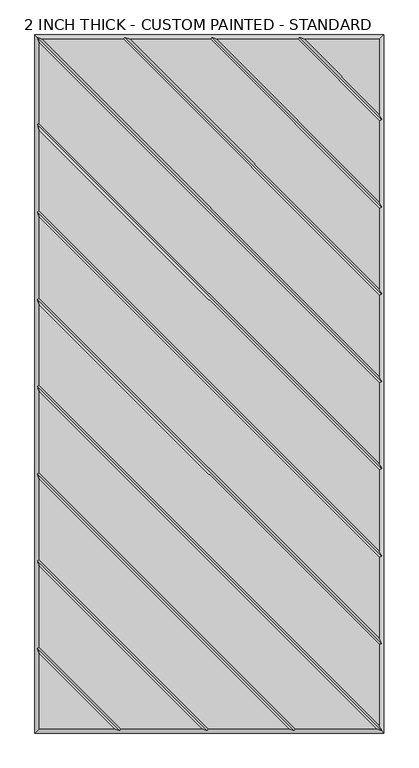
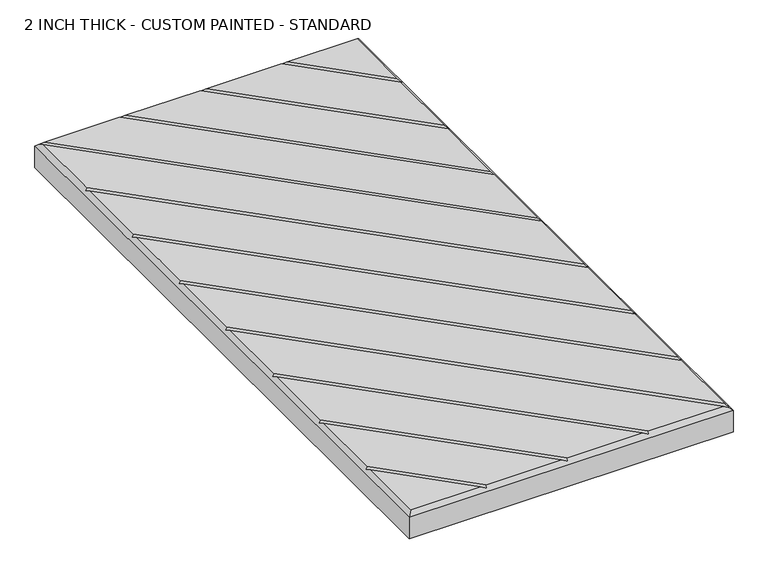
"""IFC4 building model written with IfcOpenShell, lengths in millimetres: proxy geometry, 2 INCH THICK - CUSTOM PAINTED - STANDARD."""

from ifc_helpers import new_model, si_unit, origin, place, context, project, spatial, faceted_brep, source, transform, mapped, element, save


def proxy_2_inch_thick_custom_painted_standard_a515b230(model_context):
    return source(origin(), model_context, "Body", "Brep", [
        faceted_brep([(296.799, 601.599, 50.8), (166.0590948, 601.599, 50.8), (296.799, 470.8590948, 50.8), (-296.799, -601.599, 50.8), (-166.0590079, -601.599, 50.8), (-296.799, -470.8585721, 50.8), (296.799, 459.543972, 50.8), (154.743972, 601.599, 50.8), (13.6585868, 601.599, 50.8), (296.799, 318.4585868, 50.8), (296.799, 307.143464, 50.8), (2.343464, 601.599, 50.8), (-138.7419092, 601.599, 50.8), (296.799, 166.0585747, 50.8), (296.799, 154.7434583, 50.8), (-150.0570382, 601.599, 50.8), (-291.1414386, 601.599, 50.8), (296.799, 13.6585614, 50.8), (296.799, 2.3434386, 50.8), (-296.799, 595.9414386, 50.8), (-296.799, 454.8565868, 50.8), (296.799, -138.7414132, 50.8), (296.799, -150.056536, 50.8), (-296.799, 443.541464, 50.8), (-296.799, 302.4565868, 50.8), (296.799, -291.1414132, 50.8), (296.799, -302.456536, 50.8), (-296.799, 291.141464, 50.8), (-296.799, 150.0565868, 50.8), (296.799, -443.5414132, 50.8), (296.799, -454.856536, 50.8), (-296.799, 138.741464, 50.8), (-296.799, -2.3434386, 50.8), (296.799, -595.9414386, 50.8), (291.1414386, -601.599, 50.8), (-296.799, -13.6585614, 50.8), (-296.799, -154.7434132, 50.8), (150.0565868, -601.599, 50.8), (-296.799, -459.5434305, 50.8), (-154.743904, -601.599, 50.8), (-13.6585605, -601.599, 50.8), (-296.799, -318.4585369, 50.8), (-296.799, -307.1434137, 50.8), (-2.3434382, -601.599, 50.8), (138.741464, -601.599, 50.8), (-296.799, -166.058536, 50.8), (-304.8, 609.6, 0.0), (304.8, 609.6, 0.0), (304.8, -609.6, 0.0), (-304.8, -609.6, 0.0), (-304.8, -609.6, 42.799), (-304.8, 609.6, 42.799), (304.8, -609.6, 42.799), (304.8, 609.6, 42.799), (-300.7995, 605.5995, 46.7995), (-148.3999782, 605.5995, 46.7995), (4.0005254, 605.5995, 46.7995), (156.4010334, 605.5995, 46.7995), (-300.7995, -461.2004879, 46.7995), (-300.7995, -308.8004749, 46.7995), (-300.7995, -156.4004746, 46.7995), (-300.7995, -4.0005, 46.7995), (-300.7995, 148.3995254, 46.7995), (-300.7995, 300.7995254, 46.7995), (-300.7995, 453.1995254, 46.7995), (300.7995, -605.5995, 46.7995), (148.3995254, -605.5995, 46.7995), (-4.0004997, -605.5995, 46.7995), (-156.4009693, -605.5995, 46.7995), (300.7995, 461.2010334, 46.7995), (300.7995, 308.8005254, 46.7995), (300.7995, 156.400521, 46.7995), (300.7995, 4.0005, 46.7995), (300.7995, -148.3994746, 46.7995), (300.7995, -300.7994746, 46.7995), (300.7995, -453.1994746, 46.7995)], [[[0, 1, 2]], [[3, 4, 5]], [[6, 7, 8, 9]], [[10, 11, 12, 13]], [[14, 15, 16, 17]], [[18, 19, 20, 21]], [[22, 23, 24, 25]], [[26, 27, 28, 29]], [[30, 31, 32, 33]], [[34, 35, 36, 37]], [[38, 39, 40, 41]], [[42, 43, 44, 45]], [[46, 47, 48, 49]], [[46, 49, 50, 51]], [[49, 48, 52, 50]], [[48, 47, 53, 52]], [[47, 46, 51, 53]], [[0, 53, 51, 54, 16, 15, 55, 12, 11, 56, 8, 7, 57, 1]], [[50, 3, 5, 58, 38, 41, 59, 42, 45, 60, 36, 35, 61, 32, 31, 62, 28, 27, 63, 24, 23, 64, 20, 19, 54, 51]], [[3, 50, 52, 65, 34, 37, 66, 44, 43, 67, 40, 39, 68, 4]], [[53, 0, 2, 69, 6, 9, 70, 10, 13, 71, 14, 17, 72, 18, 21, 73, 22, 25, 74, 26, 29, 75, 30, 33, 65, 52]], [[57, 69, 2, 1]], [[69, 57, 7, 6]], [[56, 70, 9, 8]], [[70, 56, 11, 10]], [[55, 71, 13, 12]], [[71, 55, 15, 14]], [[54, 72, 17, 16]], [[72, 54, 19, 18]], [[64, 73, 21, 20]], [[73, 64, 23, 22]], [[63, 74, 25, 24]], [[74, 63, 27, 26]], [[62, 75, 29, 28]], [[75, 62, 31, 30]], [[61, 65, 33, 32]], [[65, 61, 35, 34]], [[58, 68, 39, 38]], [[68, 58, 5, 4]], [[59, 67, 43, 42]], [[67, 59, 41, 40]], [[60, 66, 37, 36]], [[66, 60, 45, 44]]]),
    ])


if __name__ == "__main__":
    model = new_model("IFC4")
    model_context = context("Model", 3, world=origin())
    ifc_project = project(units=[si_unit("LENGTHUNIT", "METRE", prefix="MILLI")], contexts=[model_context])
    site = spatial("IfcSite", under=ifc_project)
    building = spatial("IfcBuilding", under=site)
    placement = place(None, origin())
    proxy_2_inch_thick_custom_painted_standard_shape = proxy_2_inch_thick_custom_painted_standard_a515b230(model_context)
    element("IfcBuildingElementProxy", 1, Name="2 INCH THICK - CUSTOM PAINTED - STANDARD", ObjectType="2 INCH THICK - CUSTOM PAINTED - STANDARD", at=placement, inside=building, context=model_context, shape_type="MappedRepresentation", body=[
        mapped(proxy_2_inch_thick_custom_painted_standard_shape, transform((0.0, 0.0, 0.0), x_axis=(1.0, 0.0, 0.0), y_axis=(0.0, 1.0, 0.0), z_axis=(0.0, 0.0, 1.0))),
    ])
    save(model, "model.ifc")
